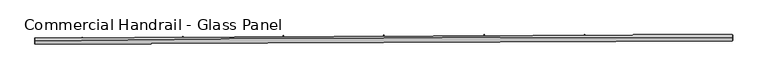
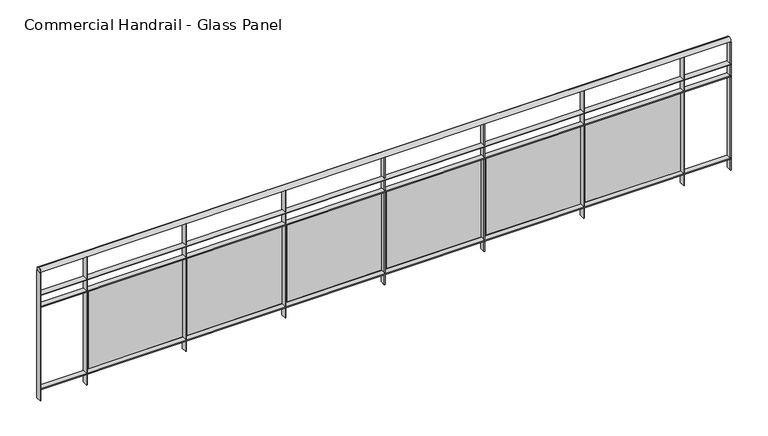
"""IFC4 building model written with IfcOpenShell, lengths in millimetres: railing geometry, Commercial Handrail - Glass Panel."""

import ifcopenshell
import ifcopenshell.guid

model = None  # the IFC model being written
_history = None  # IfcOwnerHistory: only IFC2X3 demands one
_inside = {}  # id of a spatial element -> (the spatial element, [elements in it])
_under = {}  # id of a project, library or spatial element -> (it, [spatial elements below it])
_declared = {}  # id of a project -> (the project, [libraries it declares])
_typed = {}  # id of a type object -> (the type object, [elements of that type])
_made_of = {}  # id of a material, layer set ... -> (it, [elements and type objects made of it])


def new_model(schema):
    """Start an empty IFC model of exactly this schema.

    Asked for "IFC4X3", IfcOpenShell would pick the latest addendum, in which some entities
    have other attributes; the version numbers below select the first issue.
    IFC2X3 requires an IfcOwnerHistory on every rooted entity: one is made here for all.
    """
    global model, _history
    if schema == "IFC4X3":
        model = ifcopenshell.file(schema_version=(4, 3, 0, 0))
    else:
        model = ifcopenshell.file(schema=schema)
    _inside.clear()
    _under.clear()
    _declared.clear()
    _typed.clear()
    _made_of.clear()
    _history = None
    if model.schema == "IFC2X3":
        org = make("IfcOrganization", Name="unknown")
        user = make(
            "IfcPersonAndOrganization",
            ThePerson=make("IfcPerson", FamilyName="unknown"),
            TheOrganization=org,
        )
        app = make(
            "IfcApplication",
            ApplicationDeveloper=org,
            Version="unknown",
            ApplicationFullName="unknown",
            ApplicationIdentifier="unknown",
        )
        _history = make(
            "IfcOwnerHistory",
            OwningUser=user,
            OwningApplication=app,
            ChangeAction="ADDED",
            CreationDate=0,
        )
    return model


def make(cls, **values):
    """One entity of the class cls with the attributes given. An attribute that is None is left unset."""
    return model.create_entity(
        cls, **{name: value for name, value in values.items() if value is not None}
    )


def rooted(cls, **values):
    """An entity with a GlobalId (a new one), such as an element, a storey or a relation."""
    return make(cls, GlobalId=ifcopenshell.guid.new(), OwnerHistory=_history, **values)


def si_unit(unit_type, name, prefix=None):
    """IfcSIUnit, for example si_unit("LENGTHUNIT", "METRE", prefix="MILLI")."""
    return make("IfcSIUnit", UnitType=unit_type, Prefix=prefix, Name=name)


def assignment(units):
    """IfcUnitAssignment: the units of a project."""
    return None if units is None else make("IfcUnitAssignment", Units=units)


def point(xyz):
    """IfcCartesianPoint."""
    return None if xyz is None else make("IfcCartesianPoint", Coordinates=xyz)


def direction(xyz):
    """IfcDirection."""
    return None if xyz is None else make("IfcDirection", DirectionRatios=xyz)


def frame(location, z_axis=None, x_axis=None):
    """IfcAxis2Placement3D, a coordinate frame: its origin and axes. An axis left out is left unset."""
    return make(
        "IfcAxis2Placement3D",
        Location=point(location),
        Axis=direction(z_axis),
        RefDirection=direction(x_axis),
    )


def origin():
    """The frame at (0, 0, 0) with its axes left unset."""
    return frame((0.0, 0.0, 0.0))


def place(relative_to, where):
    """IfcLocalPlacement: puts the frame where relative to a parent placement (None: the world)."""
    return make(
        "IfcLocalPlacement", PlacementRelTo=relative_to, RelativePlacement=where
    )


def context(
    kind, dimensions, precision=None, world=None, true_north=None, identifier=None
):
    """IfcGeometricRepresentationContext, for example the 3D "Model" context."""
    return make(
        "IfcGeometricRepresentationContext",
        ContextIdentifier=identifier,
        ContextType=kind,
        CoordinateSpaceDimension=dimensions,
        Precision=precision,
        WorldCoordinateSystem=world,
        TrueNorth=true_north,
    )


def project(units=None, contexts=None):
    """IfcProject with its units and contexts."""
    return rooted(
        "IfcProject",
        Name="project",
        RepresentationContexts=contexts,
        UnitsInContext=assignment(units),
    )


def spatial(cls, under=None, at=None, **own):
    """A site, building, storey or space (cls), placed at a placement, below another one or the project."""
    s = rooted(cls, ObjectPlacement=at, **own)
    if under is not None:
        _under.setdefault(under.id(), (under, []))[1].append(s)
    return s


def polyline(points):
    """IfcPolyline through the points."""
    return make("IfcPolyline", Points=[point(p) for p in points])


def circle_curve(where, radius):
    """IfcCircle in the frame where."""
    return make("IfcCircle", Position=where, Radius=radius)


def ellipse_curve(where, semi_axis1, semi_axis2):
    """IfcEllipse in the frame where."""
    return make(
        "IfcEllipse", Position=where, SemiAxis1=semi_axis1, SemiAxis2=semi_axis2
    )


def trimmed(basis, trim1, trim2, sense, master):
    """IfcTrimmedCurve: the piece of a basis curve between two trims."""
    return make(
        "IfcTrimmedCurve",
        BasisCurve=basis,
        Trim1=trim1,
        Trim2=trim2,
        SenseAgreement=sense,
        MasterRepresentation=master,
    )


def outline(outer, holes=None, kind="AREA"):
    """IfcArbitraryClosedProfileDef: a profile drawn as a closed curve; with holes, ...WithVoids."""
    if holes is None:
        return make("IfcArbitraryClosedProfileDef", ProfileType=kind, OuterCurve=outer)
    return make(
        "IfcArbitraryProfileDefWithVoids",
        ProfileType=kind,
        OuterCurve=outer,
        InnerCurves=holes,
    )


def extrude(swept, where, along, depth):
    """IfcExtrudedAreaSolid: the profile swept, set in the frame where, extruded along a direction by depth."""
    return make(
        "IfcExtrudedAreaSolid",
        SweptArea=swept,
        Position=where,
        ExtrudedDirection=direction(along),
        Depth=depth,
    )


def shape(context_of_items, identifier, shape_type, items):
    """IfcShapeRepresentation: the items that make up one representation, for example the "Body"."""
    return make(
        "IfcShapeRepresentation",
        ContextOfItems=context_of_items,
        RepresentationIdentifier=identifier,
        RepresentationType=shape_type,
        Items=items,
    )


def source(mapping_origin, context_of_items, identifier, shape_type, items):
    """IfcRepresentationMap: a shape defined once, which mapped items show again and again."""
    return make(
        "IfcRepresentationMap",
        MappingOrigin=mapping_origin,
        MappedRepresentation=shape(context_of_items, identifier, shape_type, items),
    )


def transform(
    local_origin,
    x_axis=None,
    y_axis=None,
    z_axis=None,
    scale=None,
    scale2=None,
    scale3=None,
    uniform=True,
):
    """IfcCartesianTransformationOperator3D, or its non-uniform kind. x_axis, y_axis, z_axis: its Axis1, 2, 3."""
    if uniform:
        return make(
            "IfcCartesianTransformationOperator3D",
            Axis1=direction(x_axis),
            Axis2=direction(y_axis),
            LocalOrigin=point(local_origin),
            Scale=scale,
            Axis3=direction(z_axis),
        )
    return make(
        "IfcCartesianTransformationOperator3DnonUniform",
        Axis1=direction(x_axis),
        Axis2=direction(y_axis),
        LocalOrigin=point(local_origin),
        Scale=scale,
        Axis3=direction(z_axis),
        Scale2=scale2,
        Scale3=scale3,
    )


def mapped(mapping_source, mapping_target):
    """IfcMappedItem: shows the shape of a source again, moved by a transform."""
    return make(
        "IfcMappedItem", MappingSource=mapping_source, MappingTarget=mapping_target
    )


def made_of(thing, what):
    """Note that an element or type object is made of a material, layer set ...; save() writes the relation."""
    if what is not None:
        _made_of.setdefault(what.id(), (what, []))[1].append(thing)
    return thing


def element(
    cls,
    number,
    at=None,
    inside=None,
    cuts=None,
    type_object=None,
    material=None,
    context=None,
    identifier="Body",
    shape_type=None,
    held_by="IfcProductDefinitionShape",
    body=None,
    shapes=None,
    **own,
):
    """One element of the class cls, such as IfcWall. Its Tag is "e" and its number.

    at: its placement. inside: the storey or other place that contains it. cuts: it is an
    opening in that element (IfcRelVoidsElement). A single representation is given by context,
    identifier, shape_type and body (its items); several are given by shapes. held_by: the class
    of the entity that holds the representations. save() writes the other relations.
    """
    e = rooted(cls, Tag="e%d" % number, ObjectPlacement=at, **own)
    if body is not None:
        shapes = [shape(context, identifier, shape_type, body)]
    if shapes is not None:
        e.Representation = make(held_by, Representations=shapes)
    if inside is not None:
        _inside.setdefault(inside.id(), (inside, []))[1].append(e)
    if cuts is not None:
        rooted(
            "IfcRelVoidsElement", RelatingBuildingElement=cuts, RelatedOpeningElement=e
        )
    if type_object is not None:
        _typed.setdefault(type_object.id(), (type_object, []))[1].append(e)
    return made_of(e, material)


def aggregate(whole, parts):
    """IfcRelAggregates: a whole, such as a stair, and the parts it consists of."""
    return rooted("IfcRelAggregates", RelatingObject=whole, RelatedObjects=parts)


def save(model, path):
    """Write the relations noted so far, then the file.

    IfcRelAggregates (storeys below a building ...), IfcRelContainedInSpatialStructure (elements
    in a storey), IfcRelDefinesByType, IfcRelAssociatesMaterial and IfcRelDeclares: one each for
    every whole, place, type object, material and project.
    """
    for whole, parts in _under.values():
        aggregate(whole, parts)
    for where, things in _inside.values():
        rooted(
            "IfcRelContainedInSpatialStructure",
            RelatedElements=things,
            RelatingStructure=where,
        )
    for kind, things in _typed.values():
        rooted("IfcRelDefinesByType", RelatedObjects=things, RelatingType=kind)
    for what, things in _made_of.values():
        rooted("IfcRelAssociatesMaterial", RelatedObjects=things, RelatingMaterial=what)
    for by, libraries in _declared.values():
        rooted("IfcRelDeclares", RelatingContext=by, RelatedDefinitions=libraries)
    model.write(path)


def plane_surface(at):
    """IfcPlane: the flat surface through the origin of the frame at, square to its z axis."""
    return make("IfcPlane", Position=at)


def cylinder_surface(at, radius):
    """IfcCylindricalSurface: all points at the distance radius from the z axis of the frame at."""
    return make("IfcCylindricalSurface", Position=at, Radius=radius)


def revolved_surface(curve, axis_point, axis_direction):
    """IfcSurfaceOfRevolution: the curve turned about the line through axis_point along axis_direction."""
    return make(
        "IfcSurfaceOfRevolution",
        SweptCurve=make("IfcArbitraryOpenProfileDef", ProfileType="CURVE", Curve=curve),
        AxisPosition=make("IfcAxis1Placement", Location=point(axis_point), Axis=direction(axis_direction)),
    )


def advanced_brep(points, edges, surfaces, faces):
    """IfcAdvancedBrep: a solid bounded by faces that lie on surfaces and meet in shared edges.

    An edge is (start, end): straight between two places in points (the first is 0);
    or (start, end, curve); or (start, end, curve, False) where it runs against its curve.
    A face is (place in surfaces, loops), or (place, loops, False) where it looks against
    its surface's normal. A loop lists edges by number (the first is 1), with a minus sign
    where the edge is run from its end to its start. The first loop is the outer one.
    """
    corners = [point(p) for p in points]
    vertices = [make("IfcVertexPoint", VertexGeometry=c) for c in corners]
    made = []
    for start, end, *more in edges:
        made.append(
            make(
                "IfcEdgeCurve",
                EdgeStart=vertices[start],
                EdgeEnd=vertices[end],
                EdgeGeometry=more[0] if more else make("IfcPolyline", Points=[corners[start], corners[end]]),
                SameSense=more[1] if len(more) > 1 else True,
            )
        )
    hull = []
    for where, loops, *sense in faces:
        bounds = []
        for j, loop in enumerate(loops):
            ring = [make("IfcOrientedEdge", EdgeElement=made[abs(k) - 1], Orientation=k > 0) for k in loop]
            bounds.append(
                make(
                    "IfcFaceOuterBound" if j == 0 else "IfcFaceBound",
                    Bound=make("IfcEdgeLoop", EdgeList=ring),
                    Orientation=True,
                )
            )
        hull.append(make("IfcAdvancedFace", Bounds=bounds, FaceSurface=surfaces[where], SameSense=sense[0] if sense else True))
    return make("IfcAdvancedBrep", Outer=make("IfcClosedShell", CfsFaces=hull))


def commercial_handrail_glass_panel_90a9f620(model_context):
    return source(origin(), model_context, "Body", "SolidModel", [
        advanced_brep(
        [(99695.5207842, -31501.488128, 12882.5), (105244.6880932, -31476.3541341, 12882.5), (105244.6880932, -31476.3541341, 12917.5), (99695.5207842, -31501.488128, 12917.5)],
        [
            (0, 1, circle_curve(frame((103958.1605732, -360026.9365691, 12882.5), z_axis=(0.0, 0.0, -1.0), x_axis=(0.003915736953513462, 0.9999923334726676, 0.0)), 328553.1012963)),
            (1, 2, ellipse_curve(frame((105244.6880932, -31476.3541341, 12900.0), z_axis=(-0.9999923334726678, 0.003915736953507025, 0.0), x_axis=(0.003915736953507024, 0.9999923334726676, 0.0)), 25.0, 17.5)),
            (2, 3, circle_curve(frame((103958.1605732, -360026.9365691, 12917.5), z_axis=(0.0, 0.0, 1.0), x_axis=(0.003915736953513462, 0.9999923334726676, 0.0)), 328553.1012963)),
            (3, 0, ellipse_curve(frame((99695.5207842, -31501.488128, 12900.0), z_axis=(0.9999158344417998, 0.012973975202676357, 0.0), x_axis=(-0.012973975202676354, 0.9999158344417995, 0.0)), 25.0, 17.5)),
            (2, 1, ellipse_curve(frame((105244.6880932, -31476.3541341, 12900.0), z_axis=(-0.9999923334726678, 0.003915736953507025, 0.0), x_axis=(0.003915736953507024, 0.9999923334726676, 0.0)), 25.0, 17.5)),
            (0, 3, ellipse_curve(frame((99695.5207842, -31501.488128, 12900.0), z_axis=(0.9999158344417998, 0.012973975202676357, 0.0), x_axis=(-0.012973975202676354, 0.9999158344417995, 0.0)), 25.0, 17.5)),
        ],
        [
            revolved_surface(trimmed(ellipse_curve(frame((105244.6880932, -31476.3541341, 12900.0), z_axis=(0.9999923334726676, -0.003915736953513463, 0.0), x_axis=(0.0, 0.0, -1.0)), 17.5, 25.0), [point((105244.6880932, -31476.3541341, 12917.5))], [point((105244.6880932, -31476.3541341, 12882.5))], True, "CARTESIAN"), (103958.1605732, -360026.9365691, 12900.0), (0.0, 0.0, 1.0)),
            revolved_surface(trimmed(ellipse_curve(frame((105244.6880932, -31476.3541341, 12900.0), z_axis=(0.9999923334726676, -0.003915736953513463, 0.0), x_axis=(0.0, 0.0, -1.0)), 17.5, 25.0), [point((105244.6880932, -31476.3541341, 12882.5))], [point((105244.6880932, -31476.3541341, 12917.5))], True, "CARTESIAN"), (103958.1605732, -360026.9365691, 12900.0), (0.0, 0.0, 1.0)),
            plane_surface(frame((105244.6880932, -31476.3541341, 12900.0), z_axis=(0.9999923334726677, -0.003915736953513464, 0.0), x_axis=(0.003915736953513464, 0.9999923334726677, 0.0))),
            plane_surface(frame((99695.5207842, -31501.488128, 12900.0), z_axis=(-0.9999158344417997, -0.012973975202676328, 0.0), x_axis=(0.012973975202676328, -0.9999158344417997, 0.0))),
        ],
        [
            (0, [[1, 2, 3, 4]]),
            (1, [[-3, 5, -1, 6]]),
            (2, [[-2, -5]]),
            (3, [[-6, -4]]),
        ],
    ),
        advanced_brep(
        [(99695.8126987, -31523.9862342, 12700.0), (105244.5999891, -31498.8539616, 12700.0), (105244.7761972, -31453.8543066, 12700.0), (99695.2288698, -31478.9900217, 12700.0), (99695.8126987, -31523.9862342, 12694.0), (105244.5999891, -31498.8539616, 12694.0), (99695.2288698, -31478.9900217, 12694.0), (105244.7761972, -31453.8543066, 12694.0)],
        [
            (0, 1, circle_curve(frame((103958.1605732, -360026.9365691, 12700.0), z_axis=(0.0, 0.0, -1.0), x_axis=(0.003915736953513462, 0.9999923334726676, 0.0)), 328530.6012963)),
            (1, 2),
            (2, 3, circle_curve(frame((103958.1605732, -360026.9365691, 12700.0), z_axis=(0.0, 0.0, 1.0), x_axis=(0.003915736953513462, 0.9999923334726676, 0.0)), 328575.6012963)),
            (3, 0),
            (4, 5, circle_curve(frame((103958.1605732, -360026.9365691, 12694.0), z_axis=(0.0, 0.0, -1.0), x_axis=(0.003915736953513462, 0.9999923334726676, 0.0)), 328530.6012963)),
            (5, 1),
            (0, 4),
            (6, 7, circle_curve(frame((103958.1605732, -360026.9365691, 12694.0), z_axis=(0.0, 0.0, -1.0), x_axis=(0.003915736953513462, 0.9999923334726676, 0.0)), 328575.6012963)),
            (7, 5),
            (4, 6),
            (2, 7),
            (6, 3),
        ],
        [
            plane_surface(frame((103958.1605732, -360026.9365691, 12700.0), z_axis=(0.0, 0.0, 1.0000000000000002), x_axis=(0.003915736953513463, 0.9999923334726677, 0.0))),
            revolved_surface(polyline([(105244.59998905592, -31498.85396163439, 12700.0), (105244.59998905592, -31498.85396163439, 12694.0)]), (103958.1605732, -360026.9365691, 12700.0), (0.0, 0.0, 1.0)),
            plane_surface(frame((103958.1605732, -360026.9365691, 12694.0), z_axis=(0.0, 0.0, -1.0000000000000002), x_axis=(0.003915736953513463, 0.9999923334726677, 0.0))),
            cylinder_surface(frame((103958.1605732, -360026.9365691, 12700.0), z_axis=(0.0, 0.0, 1.0), x_axis=(0.003915736953513462, 0.9999923334726676, 0.0)), 328575.6012963),
            plane_surface(frame((105244.6880932, -31476.3541341, 12700.0), z_axis=(0.9999923334726677, -0.003915736953513464, 0.0), x_axis=(0.003915736953513464, 0.9999923334726677, 0.0))),
            plane_surface(frame((99695.5207842, -31501.488128, 12700.0), z_axis=(-0.9999158344417997, -0.012973975202676328, 0.0), x_axis=(0.012973975202676328, -0.9999158344417997, 0.0))),
        ],
        [
            (0, [[1, 2, 3, 4]]),
            (1, [[5, 6, -1, 7]]),
            (2, [[8, 9, -5, 10]]),
            (3, [[-3, 11, -8, 12]]),
            (4, [[-2, -6, -9, -11]]),
            (5, [[-12, -10, -7, -4]]),
        ],
    ),
        advanced_brep(
        [(99695.8126987, -31523.9862342, 12600.0), (105244.5999891, -31498.8539616, 12600.0), (105244.7761972, -31453.8543066, 12600.0), (99695.2288698, -31478.9900217, 12600.0), (99695.8126987, -31523.9862342, 12594.0), (105244.5999891, -31498.8539616, 12594.0), (99695.2288698, -31478.9900217, 12594.0), (105244.7761972, -31453.8543066, 12594.0)],
        [
            (0, 1, circle_curve(frame((103958.1605732, -360026.9365691, 12600.0), z_axis=(0.0, 0.0, -1.0), x_axis=(0.003915736953513462, 0.9999923334726676, 0.0)), 328530.6012963)),
            (1, 2),
            (2, 3, circle_curve(frame((103958.1605732, -360026.9365691, 12600.0), z_axis=(0.0, 0.0, 1.0), x_axis=(0.003915736953513462, 0.9999923334726676, 0.0)), 328575.6012963)),
            (3, 0),
            (4, 5, circle_curve(frame((103958.1605732, -360026.9365691, 12594.0), z_axis=(0.0, 0.0, -1.0), x_axis=(0.003915736953513462, 0.9999923334726676, 0.0)), 328530.6012963)),
            (5, 1),
            (0, 4),
            (6, 7, circle_curve(frame((103958.1605732, -360026.9365691, 12594.0), z_axis=(0.0, 0.0, -1.0), x_axis=(0.003915736953513462, 0.9999923334726676, 0.0)), 328575.6012963)),
            (7, 5),
            (4, 6),
            (2, 7),
            (6, 3),
        ],
        [
            plane_surface(frame((103958.1605732, -360026.9365691, 12600.0), z_axis=(0.0, 0.0, 1.0000000000000002), x_axis=(0.003915736953513463, 0.9999923334726677, 0.0))),
            revolved_surface(polyline([(105244.59998905592, -31498.85396163439, 12600.0), (105244.59998905592, -31498.85396163439, 12594.0)]), (103958.1605732, -360026.9365691, 12600.0), (0.0, 0.0, 1.0)),
            plane_surface(frame((103958.1605732, -360026.9365691, 12594.0), z_axis=(0.0, 0.0, -1.0000000000000002), x_axis=(0.003915736953513463, 0.9999923334726677, 0.0))),
            cylinder_surface(frame((103958.1605732, -360026.9365691, 12600.0), z_axis=(0.0, 0.0, 1.0), x_axis=(0.003915736953513462, 0.9999923334726676, 0.0)), 328575.6012963),
            plane_surface(frame((105244.6880932, -31476.3541341, 12600.0), z_axis=(0.9999923334726677, -0.003915736953513464, 0.0), x_axis=(0.003915736953513464, 0.9999923334726677, 0.0))),
            plane_surface(frame((99695.5207842, -31501.488128, 12600.0), z_axis=(-0.9999158344417997, -0.012973975202676328, 0.0), x_axis=(0.012973975202676328, -0.9999158344417997, 0.0))),
        ],
        [
            (0, [[1, 2, 3, 4]]),
            (1, [[5, 6, -1, 7]]),
            (2, [[8, 9, -5, 10]]),
            (3, [[-3, 11, -8, 12]]),
            (4, [[-2, -6, -9, -11]]),
            (5, [[-12, -10, -7, -4]]),
        ],
    ),
        advanced_brep(
        [(99695.8126987, -31523.9862342, 11900.0), (105244.5999891, -31498.8539616, 11900.0), (105244.7761972, -31453.8543066, 11900.0), (99695.2288698, -31478.9900217, 11900.0), (99695.8126987, -31523.9862342, 11894.0), (105244.5999891, -31498.8539616, 11894.0), (99695.2288698, -31478.9900217, 11894.0), (105244.7761972, -31453.8543066, 11894.0)],
        [
            (0, 1, circle_curve(frame((103958.1605732, -360026.9365691, 11900.0), z_axis=(0.0, 0.0, -1.0), x_axis=(0.003915736953513462, 0.9999923334726676, 0.0)), 328530.6012963)),
            (1, 2),
            (2, 3, circle_curve(frame((103958.1605732, -360026.9365691, 11900.0), z_axis=(0.0, 0.0, 1.0), x_axis=(0.003915736953513462, 0.9999923334726676, 0.0)), 328575.6012963)),
            (3, 0),
            (4, 5, circle_curve(frame((103958.1605732, -360026.9365691, 11894.0), z_axis=(0.0, 0.0, -1.0), x_axis=(0.003915736953513462, 0.9999923334726676, 0.0)), 328530.6012963)),
            (5, 1),
            (0, 4),
            (6, 7, circle_curve(frame((103958.1605732, -360026.9365691, 11894.0), z_axis=(0.0, 0.0, -1.0), x_axis=(0.003915736953513462, 0.9999923334726676, 0.0)), 328575.6012963)),
            (7, 5),
            (4, 6),
            (2, 7),
            (6, 3),
        ],
        [
            plane_surface(frame((103958.1605732, -360026.9365691, 11900.0), z_axis=(0.0, 0.0, 1.0000000000000002), x_axis=(0.003915736953513463, 0.9999923334726677, 0.0))),
            revolved_surface(polyline([(105244.59998905592, -31498.85396163439, 11900.0), (105244.59998905592, -31498.85396163439, 11894.0)]), (103958.1605732, -360026.9365691, 11900.0), (0.0, 0.0, 1.0)),
            plane_surface(frame((103958.1605732, -360026.9365691, 11894.0), z_axis=(0.0, 0.0, -1.0000000000000002), x_axis=(0.003915736953513463, 0.9999923334726677, 0.0))),
            cylinder_surface(frame((103958.1605732, -360026.9365691, 11900.0), z_axis=(0.0, 0.0, 1.0), x_axis=(0.003915736953513462, 0.9999923334726676, 0.0)), 328575.6012963),
            plane_surface(frame((105244.6880932, -31476.3541341, 11900.0), z_axis=(0.9999923334726677, -0.003915736953513464, 0.0), x_axis=(0.003915736953513464, 0.9999923334726677, 0.0))),
            plane_surface(frame((99695.5207842, -31501.488128, 11900.0), z_axis=(-0.9999158344417997, -0.012973975202676328, 0.0), x_axis=(0.012973975202676328, -0.9999158344417997, 0.0))),
        ],
        [
            (0, [[1, 2, 3, 4]]),
            (1, [[5, 6, -1, 7]]),
            (2, [[8, 9, -5, 10]]),
            (3, [[-3, 11, -8, 12]]),
            (4, [[-2, -6, -9, -11]]),
            (5, [[-12, -10, -7, -4]]),
        ],
    ),
        extrude(outline(polyline([(100072.870567, -31474.3071506), (100073.4030869, -31519.3039996), (100067.403507, -31519.3750023), (100066.8709872, -31474.3781533), (100072.870567, -31474.3071506)])), frame((0.0, 0.0, 11800.0), z_axis=(0.0, 0.0, 1.0), x_axis=(1.0, 0.0, 0.0)), (0.0, 0.0, 1.0), 1082.1192282),
        extrude(outline(polyline([(100850.1540943, -31494.3164749), (100090.1969245, -31502.3849334), (100090.0695278, -31490.3856097), (100850.0266976, -31482.3171512), (100850.1540943, -31494.3164749)])), frame((0.0, 0.0, 11920.0), z_axis=(0.0, 0.0, 1.0), x_axis=(1.0, 0.0, 0.0)), (0.0, 0.0, 1.0), 660.0),
        extrude(outline(polyline([(100872.8801451, -31465.8207612), (100873.3030999, -31510.8187735), (100867.3033649, -31510.8751675), (100866.8804102, -31465.8771552), (100872.8801451, -31465.8207612)])), frame((0.0, 0.0, 11800.0), z_axis=(0.0, 0.0, 1.0), x_axis=(1.0, 0.0, 0.0)), (0.0, 0.0, 1.0), 1082.1192282),
        extrude(outline(polyline([(101650.1126472, -31487.7226463), (100890.1380842, -31493.940649), (100890.0399052, -31481.9410507), (101650.0144682, -31475.723048), (101650.1126472, -31487.7226463)])), frame((0.0, 0.0, 11920.0), z_axis=(0.0, 0.0, 1.0), x_axis=(1.0, 0.0, 0.0)), (0.0, 0.0, 1.0), 660.0),
        extrude(outline(polyline([(101672.9080153, -31459.2823531), (101673.2214025, -31504.2812619), (101667.221548, -31504.3230468), (101666.9081608, -31459.3241381), (101672.9080153, -31459.2823531)])), frame((0.0, 0.0, 11800.0), z_axis=(0.0, 0.0, 1.0), x_axis=(1.0, 0.0, 0.0)), (0.0, 0.0, 1.0), 1082.1192282),
        extrude(outline(polyline([(102450.0848841, -31483.0766692), (101690.0974336, -31487.4441792), (101690.028473, -31475.4443774), (102450.0159234, -31471.0768673), (102450.0848841, -31483.0766692)])), frame((0.0, 0.0, 11920.0), z_axis=(0.0, 0.0, 1.0), x_axis=(1.0, 0.0, 0.0)), (0.0, 0.0, 1.0), 660.0),
        extrude(outline(polyline([(102472.9494344, -31454.6919651), (102473.153252, -31499.6915035), (102467.1533136, -31499.7186792), (102466.9494959, -31454.7191408), (102472.9494344, -31454.6919651)])), frame((0.0, 0.0, 11800.0), z_axis=(0.0, 0.0, 1.0), x_axis=(1.0, 0.0, 0.0)), (0.0, 0.0, 1.0), 1082.1192282),
        extrude(outline(polyline([(103250.0660621, -31480.378571), (102490.0702301, -31482.8955625), (102490.0304881, -31470.8956283), (103250.0263202, -31468.3786368), (103250.0660621, -31480.378571)])), frame((0.0, 0.0, 11920.0), z_axis=(0.0, 0.0, 1.0), x_axis=(1.0, 0.0, 0.0)), (0.0, 0.0, 1.0), 660.0),
        extrude(outline(polyline([(103272.999659, -31452.0496243), (103273.0939059, -31497.0495257), (103267.0939191, -31497.0620919), (103266.9996722, -31452.0621906), (103272.999659, -31452.0496243)])), frame((0.0, 0.0, 11800.0), z_axis=(0.0, 0.0, 1.0), x_axis=(1.0, 0.0, 0.0)), (0.0, 0.0, 1.0), 1082.1192282),
        extrude(outline(polyline([(104050.0514383, -31479.6283679), (103290.0517305, -31480.2948258), (103290.0412075, -31468.2948304), (104050.0409153, -31467.6283725), (104050.0514383, -31479.6283679)])), frame((0.0, 0.0, 11920.0), z_axis=(0.0, 0.0, 1.0), x_axis=(1.0, 0.0, 0.0)), (0.0, 0.0, 1.0), 660.0),
        extrude(outline(polyline([(104073.0539458, -31451.3553465), (104073.0386215, -31496.3553439), (104067.0386218, -31496.3533007), (104067.0539462, -31451.3533033), (104073.0539458, -31451.3553465)])), frame((0.0, 0.0, 11800.0), z_axis=(0.0, 0.0, 1.0), x_axis=(1.0, 0.0, 0.0)), (0.0, 0.0, 1.0), 1082.1192282),
        extrude(outline(polyline([(104850.0362697, -31480.8260641), (104090.0371921, -31479.6419846), (104090.0558881, -31467.6419992), (104850.0549657, -31468.8260787), (104850.0362697, -31480.8260641)])), frame((0.0, 0.0, 11920.0), z_axis=(0.0, 0.0, 1.0), x_axis=(1.0, 0.0, 0.0)), (0.0, 0.0, 1.0), 660.0),
        extrude(outline(polyline([(104873.1075514, -31452.6091358), (104872.9826559, -31497.6089625), (104866.9826791, -31497.5923097), (104867.1075746, -31452.592483), (104873.1075514, -31452.6091358)])), frame((0.0, 0.0, 11800.0), z_axis=(0.0, 0.0, 1.0), x_axis=(1.0, 0.0, 0.0)), (0.0, 0.0, 1.0), 1082.1192282),
        extrude(outline(polyline([(99698.2286173, -31478.9510998), (99698.8124462, -31523.9473123), (99692.8129512, -31524.0251562), (99692.2291223, -31479.0289436), (99698.2286173, -31478.9510998)])), frame((0.0, 0.0, 11800.0), z_axis=(0.0, 0.0, 1.0), x_axis=(1.0, 0.0, 0.0)), (0.0, 0.0, 1.0), 1082.1192282),
        extrude(outline(polyline([(105247.7761742, -31453.8660538), (105247.5999661, -31498.8657088), (105241.6000121, -31498.8422144), (105241.7762202, -31453.8425594), (105247.7761742, -31453.8660538)])), frame((0.0, 0.0, 11800.0), z_axis=(0.0, 0.0, 1.0), x_axis=(1.0, 0.0, 0.0)), (0.0, 0.0, 1.0), 1082.1192282),
    ])


if __name__ == "__main__":
    model = new_model("IFC4")
    model_context = context("Model", 3, world=origin())
    ifc_project = project(units=[si_unit("LENGTHUNIT", "METRE", prefix="MILLI")], contexts=[model_context])
    site = spatial("IfcSite", under=ifc_project)
    building = spatial("IfcBuilding", under=site)
    placement = place(None, origin())
    commercial_handrail_glass_panel_shape = commercial_handrail_glass_panel_90a9f620(model_context)
    element("IfcRailing", 1, ObjectType="Commercial Handrail - Glass Panel", at=placement, inside=building, context=model_context, shape_type="MappedRepresentation", body=[
        mapped(commercial_handrail_glass_panel_shape, transform((0.0, 0.0, 0.0), x_axis=(1.0, 0.0, 0.0), y_axis=(0.0, 1.0, 0.0), z_axis=(0.0, 0.0, 1.0))),
    ])
    save(model, "model.ifc")
